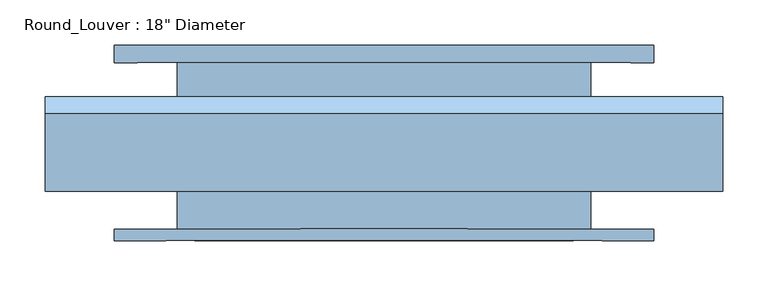
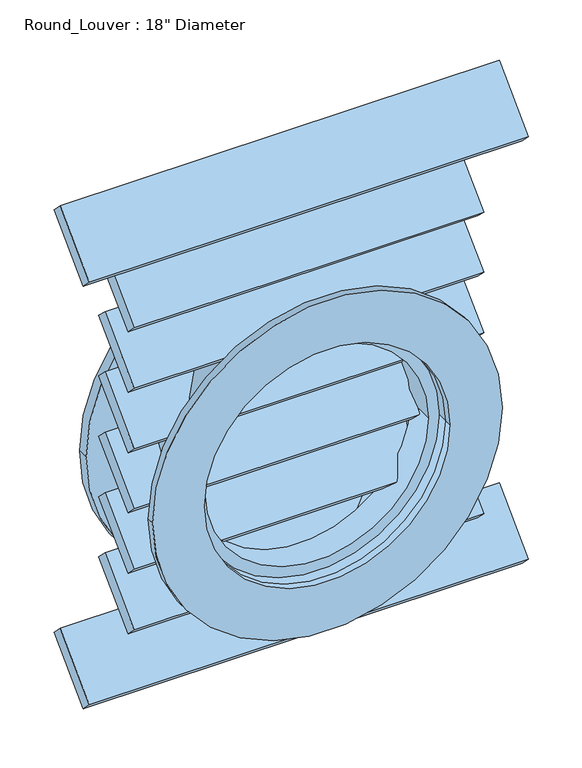
"""IFC4 building model written with IfcOpenShell, lengths in millimetres: window geometry."""

from ifc_helpers import new_model, si_unit, point, frame, frame_2d, origin, place, context, project, spatial, polyline, circle_curve, trimmed, segment, composite_curve, outline, extrude, source, transform, mapped, element, save


def window_0444160b(model_context):
    return source(origin(), model_context, "Body", "SweptSolid", [
        extrude(outline(composite_curve([segment(trimmed(circle_curve(frame_2d((1143.0, 0.0)), 298.45), [point((1143.0, -298.45))], [point((1143.0, 298.45))], False, "CARTESIAN"), True, "CONTINUOUS"), segment(trimmed(circle_curve(frame_2d((1143.0, 0.0)), 298.45), [point((1143.0, 298.45))], [point((1143.0, -298.45))], False, "CARTESIAN"), True, "CONTINUOUS")], self_intersect=False), holes=[composite_curve([segment(trimmed(circle_curve(frame_2d((1143.0, 0.0)), 209.55), [point((1143.0, -209.55))], [point((1143.0, 209.55))], True, "CARTESIAN"), True, "CONTINUOUS"), segment(trimmed(circle_curve(frame_2d((1143.0, 0.0)), 209.55), [point((1143.0, 209.55))], [point((1143.0, -209.55))], True, "CARTESIAN"), True, "CONTINUOUS")], self_intersect=False)]), frame((0.0, 92.075, 0.0), z_axis=(0.0, 1.0, 0.0), x_axis=(0.0, 0.0, 1.0)), (0.0, 0.0, 1.0), 19.05),
        extrude(outline(composite_curve([segment(trimmed(circle_curve(frame_2d((1143.0, 0.0)), 298.45), [point((1143.0, -298.45))], [point((1143.0, 298.45))], False, "CARTESIAN"), True, "CONTINUOUS"), segment(trimmed(circle_curve(frame_2d((1143.0, 0.0)), 298.45), [point((1143.0, 298.45))], [point((1143.0, -298.45))], False, "CARTESIAN"), True, "CONTINUOUS")], self_intersect=False), holes=[composite_curve([segment(trimmed(circle_curve(frame_2d((1143.0, 0.0)), 209.55), [point((1143.0, -209.55))], [point((1143.0, 209.55))], True, "CARTESIAN"), True, "CONTINUOUS"), segment(trimmed(circle_curve(frame_2d((1143.0, 0.0)), 209.55), [point((1143.0, 209.55))], [point((1143.0, -209.55))], True, "CARTESIAN"), True, "CONTINUOUS")], self_intersect=False)]), frame((0.0, -104.775, 0.0), z_axis=(0.0, 1.0, 0.0), x_axis=(0.0, 0.0, 1.0)), (0.0, 0.0, 1.0), 12.7),
        extrude(outline(composite_curve([segment(trimmed(circle_curve(frame_2d((1143.0, 0.0)), 209.55), [point((1143.0, -209.55))], [point((1143.0, 209.55))], False, "CARTESIAN"), True, "CONTINUOUS"), segment(trimmed(circle_curve(frame_2d((1143.0, 0.0)), 209.55), [point((1143.0, 209.55))], [point((1143.0, -209.55))], False, "CARTESIAN"), True, "CONTINUOUS")], self_intersect=False), holes=[composite_curve([segment(trimmed(circle_curve(frame_2d((1143.0, 0.0)), 190.5), [point((1143.0, -190.5))], [point((1143.0, 190.5))], True, "CARTESIAN"), True, "CONTINUOUS"), segment(trimmed(circle_curve(frame_2d((1143.0, 0.0)), 190.5), [point((1143.0, 190.5))], [point((1143.0, -190.5))], True, "CARTESIAN"), True, "CONTINUOUS")], self_intersect=False)]), frame((0.0, -73.025, 0.0), z_axis=(0.0, 1.0, 0.0), x_axis=(0.0, 0.0, 1.0)), (0.0, 0.0, 1.0), 50.8),
        extrude(outline(composite_curve([segment(trimmed(circle_curve(frame_2d((1143.0, 0.0)), 228.6), [point((1143.0, -228.6))], [point((1143.0, 228.6))], False, "CARTESIAN"), True, "CONTINUOUS"), segment(trimmed(circle_curve(frame_2d((1143.0, 0.0)), 228.6), [point((1143.0, 228.6))], [point((1143.0, -228.6))], False, "CARTESIAN"), True, "CONTINUOUS")], self_intersect=False), holes=[composite_curve([segment(trimmed(circle_curve(frame_2d((1143.0, 0.0)), 209.55), [point((1143.0, -209.55))], [point((1143.0, 209.55))], True, "CARTESIAN"), True, "CONTINUOUS"), segment(trimmed(circle_curve(frame_2d((1143.0, 0.0)), 209.55), [point((1143.0, 209.55))], [point((1143.0, -209.55))], True, "CARTESIAN"), True, "CONTINUOUS")], self_intersect=False)]), frame((0.0, -92.075, 0.0), z_axis=(0.0, 1.0, 0.0), x_axis=(0.0, 0.0, 1.0)), (0.0, 0.0, 1.0), 184.15),
        extrude(outline(polyline([(0.0, 0.0), (0.0, 596.9), (25.4, 596.9), (25.4, 0.0), (0.0, 0.0)])), frame((-298.45, -32.231161, 1444.6211214), z_axis=(0.0, 0.7071067811865583, 0.7071067811865368), x_axis=(0.0, -0.7071067811865368, 0.7071067811865583)), (0.0, 0.0, 1.0), 121.778413),
        extrude(outline(polyline([(0.0, 0.0), (0.0, 596.9), (25.4000001, 596.9), (25.4000001, 0.0), (0.0, 0.0)])), frame((-298.45, -32.231161, 1335.7639785), z_axis=(0.0, 0.7071067811865583, 0.7071067811865368), x_axis=(0.0, -0.7071067811865368, 0.7071067811865583)), (0.0, 0.0, 1.0), 121.778413),
        extrude(outline(polyline([(0.0, 0.0), (0.0, 596.9), (25.4, 596.9), (25.4, 0.0), (0.0, 0.0)])), frame((-298.45, -32.231161, 1226.9068357), z_axis=(0.0, 0.7071067811865582, 0.7071067811865368), x_axis=(0.0, -0.7071067811865368, 0.7071067811865582)), (0.0, 0.0, 1.0), 121.778413),
        extrude(outline(polyline([(0.0, 0.0), (0.0, 596.9), (25.4, 596.9), (25.4, 0.0), (0.0, 0.0)])), frame((-298.45, -32.231161, 1009.19255), z_axis=(0.0, 0.7071067811865583, 0.7071067811865368), x_axis=(0.0, -0.7071067811865368, 0.7071067811865583)), (0.0, 0.0, 1.0), 121.778413),
        extrude(outline(polyline([(0.0, 0.0), (0.0, 596.9), (25.4000001, 596.9), (25.4000001, 0.0), (0.0, 0.0)])), frame((-298.45, -32.231161, 900.3354071), z_axis=(0.0, 0.7071067811865583, 0.7071067811865368), x_axis=(0.0, -0.7071067811865368, 0.7071067811865583)), (0.0, 0.0, 1.0), 121.778413),
        extrude(outline(polyline([(0.0, 0.0), (0.0, 749.3), (25.4, 749.3), (25.4, 0.0), (0.0, 0.0)])), frame((-374.65, -32.1579878, 1553.5514375), z_axis=(0.0, 0.7071067811865583, 0.7071067811865368), x_axis=(0.0, -0.7071067811865368, 0.7071067811865583)), (0.0, 0.0, 1.0), 121.6749304),
        extrude(outline(polyline([(0.0, 0.0), (0.0, 749.3), (25.4, 749.3), (25.4, 0.0), (0.0, 0.0)])), frame((-374.65, -32.1579878, 791.5514375), z_axis=(0.0, 0.7071067811865583, 0.7071067811865368), x_axis=(0.0, -0.7071067811865368, 0.7071067811865583)), (0.0, 0.0, 1.0), 121.6749304),
        extrude(outline(polyline([(0.0, 0.0), (0.0, 596.9), (25.4000001, 596.9), (25.4000001, 0.0), (0.0, 0.0)])), frame((-298.45, -32.231161, 1118.0496928), z_axis=(0.0, 0.7071067811865583, 0.7071067811865368), x_axis=(0.0, -0.7071067811865368, 0.7071067811865583)), (0.0, 0.0, 1.0), 121.778413),
    ])


if __name__ == "__main__":
    model = new_model("IFC4")
    model_context = context("Model", 3, world=origin())
    ifc_project = project(units=[si_unit("LENGTHUNIT", "METRE", prefix="MILLI")], contexts=[model_context])
    site = spatial("IfcSite", under=ifc_project)
    building = spatial("IfcBuilding", under=site)
    placement = place(None, origin())
    window_shape = window_0444160b(model_context)
    element("IfcWindow", 1, ObjectType="Round_Louver : 18\" Diameter", at=placement, inside=building, context=model_context, shape_type="MappedRepresentation", body=[
        mapped(window_shape, transform((0.0, 0.0, 0.0), x_axis=(1.0, 0.0, 0.0), y_axis=(0.0, 1.0, 0.0), z_axis=(0.0, 0.0, 1.0))),
    ])
    save(model, "model.ifc")
